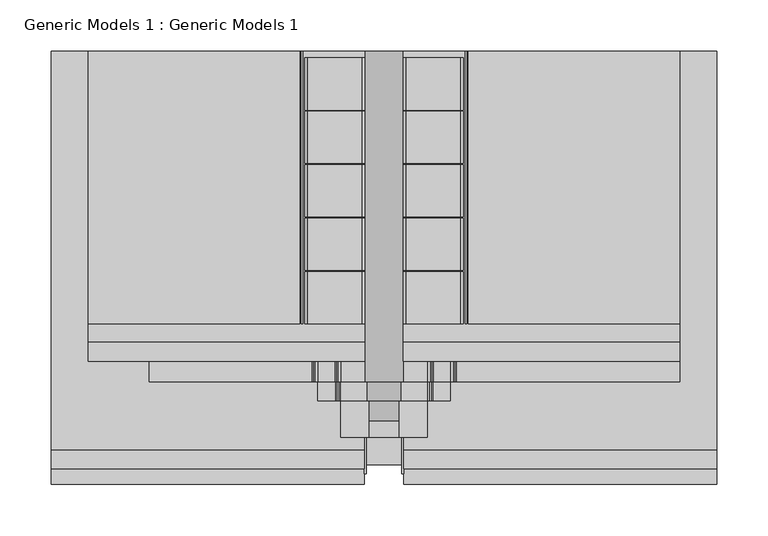
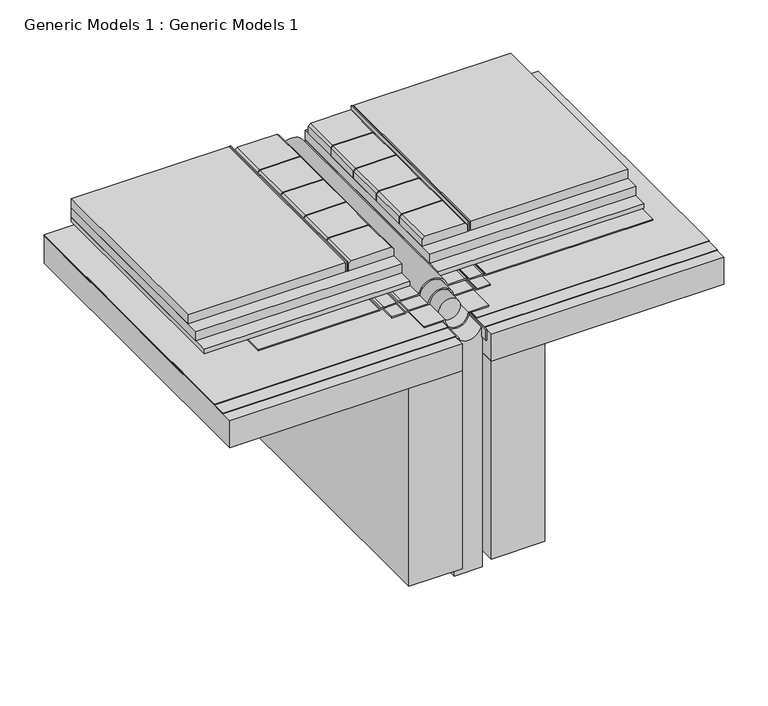
"""IFC4 building model written with IfcOpenShell, lengths in millimetres: proxy geometry, Generic Models 1 : Generic Models 1."""

from ifc_helpers import new_model, si_unit, point, frame, frame_2d, origin, place, context, project, spatial, polyline, circle_curve, trimmed, segment, composite_curve, outline, extrude, source, transform, mapped, element, save


def generic_models_1_generic_models_1_f1b61723(model_context):
    return source(origin(), model_context, "Body", "SweptSolid", [
        extrude(outline(polyline([(142.4541976, 393.8469389), (144.0416976, 393.8469389), (144.0416976, 128.6867188), (142.4541976, 128.6867188), (142.4541976, 393.8469389)])), frame((0.0, 0.0, 370.2948839), z_axis=(0.0, 0.0, 1.0), x_axis=(1.0, 0.0, 0.0)), (0.0, 0.0, 1.0), 12.7),
        extrude(outline(polyline([(-17.0416976, 393.8469389), (-15.4541976, 393.8469389), (-15.4541976, 128.6867187), (-17.0416976, 128.6867187), (-17.0416976, 393.8469389)])), frame((0.0, 0.0, 370.2948839), z_axis=(0.0, 0.0, 1.0), x_axis=(1.0, 0.0, 0.0)), (0.0, 0.0, 1.0), 12.7),
        extrude(outline(polyline([(370.2948839, 140.8666976), (379.8390838, 140.8666976), (382.9948839, 137.7108975), (382.9948839, 85.2849977), (379.8390838, 82.1291976), (370.2948839, 82.1291976), (370.2948839, 140.8666976)])), frame((0.0, 336.749243, 0.0), z_axis=(0.0, 1.0, 0.0), x_axis=(0.0, 0.0, 1.0)), (0.0, 0.0, 1.0), 50.8),
        extrude(outline(polyline([(370.2948839, -13.8666976), (370.2948839, 44.8708024), (379.8390838, 44.8708024), (382.9948839, 41.7150023), (382.9948839, -10.7108975), (379.8390838, -13.8666976), (370.2948839, -13.8666976)])), frame((0.0, 336.749243, 0.0), z_axis=(0.0, 1.0, 0.0), x_axis=(0.0, 0.0, 1.0)), (0.0, 0.0, 1.0), 50.8),
        extrude(outline(polyline([(370.2948839, 140.8666976), (379.8390838, 140.8666976), (382.9948839, 137.7108975), (382.9948839, 85.2849977), (379.8390838, 82.1291976), (370.2948839, 82.1291976), (370.2948839, 140.8666976)])), frame((0.0, 284.733612, 0.0), z_axis=(0.0, 1.0, 0.0), x_axis=(0.0, 0.0, 1.0)), (0.0, 0.0, 1.0), 50.8),
        extrude(outline(polyline([(370.2948839, -13.8666976), (370.2948839, 44.8708024), (379.8390838, 44.8708024), (382.9948839, 41.7150023), (382.9948839, -10.7108975), (379.8390838, -13.8666976), (370.2948839, -13.8666976)])), frame((0.0, 284.733612, 0.0), z_axis=(0.0, 1.0, 0.0), x_axis=(0.0, 0.0, 1.0)), (0.0, 0.0, 1.0), 50.8),
        extrude(outline(polyline([(370.2948839, 140.8666976), (379.8390838, 140.8666976), (382.9948839, 137.7108975), (382.9948839, 85.2849977), (379.8390838, 82.1291976), (370.2948839, 82.1291976), (370.2948839, 140.8666976)])), frame((0.0, 232.7179809, 0.0), z_axis=(0.0, 1.0, 0.0), x_axis=(0.0, 0.0, 1.0)), (0.0, 0.0, 1.0), 50.8),
        extrude(outline(polyline([(370.2948839, -13.8666976), (370.2948839, 44.8708024), (379.8390838, 44.8708024), (382.9948839, 41.7150023), (382.9948839, -10.7108975), (379.8390838, -13.8666976), (370.2948839, -13.8666976)])), frame((0.0, 232.7179809, 0.0), z_axis=(0.0, 1.0, 0.0), x_axis=(0.0, 0.0, 1.0)), (0.0, 0.0, 1.0), 50.8),
        extrude(outline(polyline([(370.2948839, 140.8666976), (379.8390838, 140.8666976), (382.9948839, 137.7108975), (382.9948839, 85.2849977), (379.8390838, 82.1291976), (370.2948839, 82.1291976), (370.2948839, 140.8666976)])), frame((0.0, 180.7023498, 0.0), z_axis=(0.0, 1.0, 0.0), x_axis=(0.0, 0.0, 1.0)), (0.0, 0.0, 1.0), 50.8),
        extrude(outline(polyline([(370.2948839, -13.8666976), (370.2948839, 44.8708024), (379.8390838, 44.8708024), (382.9948839, 41.7150023), (382.9948839, -10.7108975), (379.8390838, -13.8666976), (370.2948839, -13.8666976)])), frame((0.0, 180.7023498, 0.0), z_axis=(0.0, 1.0, 0.0), x_axis=(0.0, 0.0, 1.0)), (0.0, 0.0, 1.0), 50.8),
        extrude(outline(polyline([(370.2948839, 140.8666976), (379.8390838, 140.8666976), (382.9948839, 137.7108975), (382.9948839, 85.2849977), (379.8390838, 82.1291976), (370.2948839, 82.1291976), (370.2948839, 140.8666976)])), frame((0.0, 128.6867187, 0.0), z_axis=(0.0, 1.0, 0.0), x_axis=(0.0, 0.0, 1.0)), (0.0, 0.0, 1.0), 50.8),
        extrude(outline(polyline([(370.2948839, -13.8666976), (370.2948839, 44.8708024), (379.8390838, 44.8708024), (382.9948839, 41.7150023), (382.9948839, -10.7108975), (379.8390838, -13.8666976), (370.2948839, -13.8666976)])), frame((0.0, 128.6867188, 0.0), z_axis=(0.0, 1.0, 0.0), x_axis=(0.0, 0.0, 1.0)), (0.0, 0.0, 1.0), 50.8),
        extrude(outline(polyline([(-260.35, 393.8469389), (44.45, 393.8469389), (44.45, -12.7), (-260.35, -12.7), (-260.35, 393.8469389)])), frame((0.0, 0.0, 344.0748414), z_axis=(0.0, 0.0, 1.0), x_axis=(1.0, 0.0, 0.0)), (0.0, 0.0, 1.0), 0.79375),
        extrude(outline(polyline([(82.55, 393.8469389), (387.35, 393.8469389), (387.35, -12.7), (82.55, -12.7), (82.55, 393.8469389)])), frame((0.0, 0.0, 344.0748414), z_axis=(0.0, 0.0, 1.0), x_axis=(1.0, 0.0, 0.0)), (0.0, 0.0, 1.0), 0.79375),
        extrude(outline(polyline([(145.6291976, 393.8469389), (351.5567558, 393.8469389), (351.5567558, 128.6867187), (145.6291976, 128.6867187), (145.6291976, 393.8469389)])), frame((0.0, 0.0, 370.2948839), z_axis=(0.0, 0.0, 1.0), x_axis=(1.0, 0.0, 0.0)), (0.0, 0.0, 1.0), 12.7),
        extrude(outline(polyline([(-224.5567558, 393.8469389), (-18.6291976, 393.8469389), (-18.6291976, 128.6867187), (-224.5567558, 128.6867188), (-224.5567558, 393.8469389)])), frame((0.0, 0.0, 370.2948839), z_axis=(0.0, 0.0, 1.0), x_axis=(1.0, 0.0, 0.0)), (0.0, 0.0, 1.0), 12.7),
        extrude(outline(polyline([(82.1291976, 393.8469389), (351.5567558, 393.8469389), (351.5567558, 111.125), (82.1291976, 111.125), (82.1291976, 393.8469389)])), frame((0.0, 0.0, 357.5948839), z_axis=(0.0, 0.0, 1.0), x_axis=(1.0, 0.0, 0.0)), (0.0, 0.0, 1.0), 12.7),
        extrude(outline(polyline([(-224.5567558, 393.8469389), (44.8708024, 393.8469389), (44.8708024, 111.125), (-224.5567558, 111.125), (-224.5567558, 393.8469389)])), frame((0.0, 0.0, 357.5948839), z_axis=(0.0, 0.0, 1.0), x_axis=(1.0, 0.0, 0.0)), (0.0, 0.0, 1.0), 12.7),
        extrude(outline(polyline([(82.1291976, 393.8469389), (351.5567558, 393.8469389), (351.5567558, 92.075), (82.1291976, 92.075), (82.1291976, 393.8469389)])), frame((0.0, 0.0, 351.2448839), z_axis=(0.0, 0.0, 1.0), x_axis=(1.0, 0.0, 0.0)), (0.0, 0.0, 1.0), 6.35),
        extrude(outline(polyline([(-224.5567558, 393.8469389), (44.8708024, 393.8469389), (44.8708024, 92.075), (-224.5567558, 92.075), (-224.5567558, 393.8469389)])), frame((0.0, 0.0, 351.2448839), z_axis=(0.0, 0.0, 1.0), x_axis=(1.0, 0.0, 0.0)), (0.0, 0.0, 1.0), 6.35),
        extrude(outline(composite_curve([segment(polyline([(349.6573839, 80.7975655), (349.6573839, 105.6586194)]), True, "CONTINUOUS"), segment(trimmed(circle_curve(frame_2d((344.1011339, 105.6586194)), 5.55625), [point((349.6573839, 105.6586194))], [point((349.1368066, 108.0067922))], True, "CARTESIAN"), True, "CONTINUOUS"), segment(polyline([(349.1368066, 108.0067922), (348.4898005, 109.3943011)]), True, "CONTINUOUS"), segment(trimmed(circle_curve(frame_2d((352.8060914, 111.4070206)), 4.7625), [point((348.4898005, 109.3943011))], [point((348.0435914, 111.4070206))], False, "CARTESIAN"), True, "CONTINUOUS"), segment(polyline([(348.0435914, 111.4070206), (348.0435914, 128.0795393)]), True, "CONTINUOUS"), segment(trimmed(circle_curve(frame_2d((342.4873414, 128.0795393)), 5.55625), [point((348.0435914, 128.0795393))], [point((347.523014, 130.427712))], True, "CARTESIAN"), True, "CONTINUOUS"), segment(polyline([(347.523014, 130.427712), (346.876008, 131.815221)]), True, "CONTINUOUS"), segment(trimmed(circle_curve(frame_2d((351.1922988, 133.8279405)), 4.7625), [point((346.876008, 131.815221))], [point((346.4297988, 133.8279405))], False, "CARTESIAN"), True, "CONTINUOUS"), segment(polyline([(346.4297988, 133.8279405), (346.4297988, 351.5567558), (348.0172988, 351.5567558), (348.0172988, 133.8279405)]), True, "CONTINUOUS"), segment(trimmed(circle_curve(frame_2d((351.1922988, 133.8279405)), 3.175), [point((348.0172988, 133.8279405))], [point((348.3147716, 132.4861275))], True, "CARTESIAN"), True, "CONTINUOUS"), segment(polyline([(348.3147716, 132.4861275), (348.9617776, 131.0986185)]), True, "CONTINUOUS"), segment(trimmed(circle_curve(frame_2d((342.4873414, 128.0795393)), 7.14375), [point((348.9617776, 131.0986185))], [point((349.6310914, 128.0795393))], False, "CARTESIAN"), True, "CONTINUOUS"), segment(polyline([(349.6310914, 128.0795393), (349.6310914, 111.4070206)]), True, "CONTINUOUS"), segment(trimmed(circle_curve(frame_2d((352.8060914, 111.4070206)), 3.175), [point((349.6310914, 111.4070206))], [point((349.9285641, 110.0652076))], True, "CARTESIAN"), True, "CONTINUOUS"), segment(polyline([(349.9285641, 110.0652076), (350.5755702, 108.6776987)]), True, "CONTINUOUS"), segment(trimmed(circle_curve(frame_2d((344.1011339, 105.6586194)), 7.14375), [point((350.5755702, 108.6776987))], [point((351.2448839, 105.6586194))], False, "CARTESIAN"), True, "CONTINUOUS"), segment(polyline([(351.2448839, 105.6586194), (351.2448839, 82.1291976)]), True, "CONTINUOUS"), segment(trimmed(circle_curve(frame_2d((347.2629876, 63.5)), 19.05), [point((351.2448839, 82.1291976))], [point((351.2448839, 44.8708024))], False, "CARTESIAN"), True, "CONTINUOUS"), segment(polyline([(351.2448839, 44.8708024), (351.2448839, 21.3413806)]), True, "CONTINUOUS"), segment(trimmed(circle_curve(frame_2d((344.1011339, 21.3413806)), 7.14375), [point((351.2448839, 21.3413806))], [point((350.5755702, 18.3223013))], False, "CARTESIAN"), True, "CONTINUOUS"), segment(polyline([(350.5755702, 18.3223013), (349.9285641, 16.9347924)]), True, "CONTINUOUS"), segment(trimmed(circle_curve(frame_2d((352.8060914, 15.5929794)), 3.175), [point((349.9285641, 16.9347924))], [point((349.6310914, 15.5929794))], True, "CARTESIAN"), True, "CONTINUOUS"), segment(polyline([(349.6310914, 15.5929794), (349.6310914, -1.0795393)]), True, "CONTINUOUS"), segment(trimmed(circle_curve(frame_2d((342.4873414, -1.0795393)), 7.14375), [point((349.6310914, -1.0795393))], [point((348.9617776, -4.0986185))], False, "CARTESIAN"), True, "CONTINUOUS"), segment(polyline([(348.9617776, -4.0986185), (348.3147716, -5.4861275)]), True, "CONTINUOUS"), segment(trimmed(circle_curve(frame_2d((351.1922988, -6.8279405)), 3.175), [point((348.3147716, -5.4861275))], [point((348.0172988, -6.8279405))], True, "CARTESIAN"), True, "CONTINUOUS"), segment(polyline([(348.0172988, -6.8279405), (348.0172988, -165.2260002), (346.4297988, -165.2260002), (346.4297988, -6.8279405)]), True, "CONTINUOUS"), segment(trimmed(circle_curve(frame_2d((351.1922988, -6.8279405)), 4.7625), [point((346.4297988, -6.8279405))], [point((346.876008, -4.815221))], False, "CARTESIAN"), True, "CONTINUOUS"), segment(polyline([(346.876008, -4.815221), (347.523014, -3.427712)]), True, "CONTINUOUS"), segment(trimmed(circle_curve(frame_2d((342.4873414, -1.0795393)), 5.55625), [point((347.523014, -3.427712))], [point((348.0435914, -1.0795393))], True, "CARTESIAN"), True, "CONTINUOUS"), segment(polyline([(348.0435914, -1.0795393), (348.0435914, 15.5929794)]), True, "CONTINUOUS"), segment(trimmed(circle_curve(frame_2d((352.8060914, 15.5929794)), 4.7625), [point((348.0435914, 15.5929794))], [point((348.4898005, 17.6056989))], False, "CARTESIAN"), True, "CONTINUOUS"), segment(polyline([(348.4898005, 17.6056989), (349.1368066, 18.9932078)]), True, "CONTINUOUS"), segment(trimmed(circle_curve(frame_2d((344.1011339, 21.3413806)), 5.55625), [point((349.1368066, 18.9932078))], [point((349.6573839, 21.3413806))], True, "CARTESIAN"), True, "CONTINUOUS"), segment(polyline([(349.6573839, 21.3413806), (349.6573839, 46.2024345)]), True, "CONTINUOUS"), segment(trimmed(circle_curve(frame_2d((347.2629876, 63.5)), 17.4625), [point((349.6573839, 46.2024345))], [point((349.6573839, 80.7975655))], True, "CARTESIAN"), True, "CONTINUOUS")], self_intersect=False)), frame((0.0, 72.3143532, 0.0), z_axis=(0.0, 1.0, 0.0), x_axis=(0.0, 0.0, 1.0)), (0.0, 0.0, 1.0), 321.5325858),
        extrude(outline(composite_curve([segment(polyline([(348.8636339, 105.6586194), (348.8636339, 80.0917196)]), True, "CONTINUOUS"), segment(trimmed(circle_curve(frame_2d((347.2629876, 63.5)), 16.66875), [point((348.8636339, 80.0917196))], [point((348.8636339, 46.9082804))], False, "CARTESIAN"), True, "CONTINUOUS"), segment(polyline([(348.8636339, 46.9082804), (348.8636339, 21.3413806)]), True, "CONTINUOUS"), segment(trimmed(circle_curve(frame_2d((344.1011339, 21.3413806)), 4.7625), [point((348.8636339, 21.3413806))], [point((348.4174248, 19.3286611))], False, "CARTESIAN"), True, "CONTINUOUS"), segment(polyline([(348.4174248, 19.3286611), (347.5473141, 17.4627028)]), True, "CONTINUOUS"), segment(trimmed(circle_curve(frame_2d((350.4248414, 16.1208898)), 3.175), [point((347.5473141, 17.4627028))], [point((347.2498414, 16.1208898))], True, "CARTESIAN"), True, "CONTINUOUS"), segment(polyline([(347.2498414, 16.1208898), (347.2498414, -1.0795393), (345.6623414, -1.0795393), (345.6623414, 16.1208898)]), True, "CONTINUOUS"), segment(trimmed(circle_curve(frame_2d((350.4248414, 16.1208898)), 4.7625), [point((345.6623414, 16.1208898))], [point((346.1085505, 18.1336093))], False, "CARTESIAN"), True, "CONTINUOUS"), segment(polyline([(346.1085505, 18.1336093), (346.9786612, 19.9995676)]), True, "CONTINUOUS"), segment(trimmed(circle_curve(frame_2d((344.1011339, 21.3413806)), 3.175), [point((346.9786612, 19.9995676))], [point((347.2761339, 21.3413806))], True, "CARTESIAN"), True, "CONTINUOUS"), segment(polyline([(347.2761339, 21.3413806), (347.2761339, 48.4187557)]), True, "CONTINUOUS"), segment(trimmed(circle_curve(frame_2d((347.2629876, 63.5)), 15.08125), [point((347.2761339, 48.4187557))], [point((347.2761339, 78.5812443))], True, "CARTESIAN"), True, "CONTINUOUS"), segment(polyline([(347.2761339, 78.5812443), (347.2761339, 105.6586194)]), True, "CONTINUOUS"), segment(trimmed(circle_curve(frame_2d((344.1011339, 105.6586194)), 3.175), [point((347.2761339, 105.6586194))], [point((346.9786612, 107.0004324))], True, "CARTESIAN"), True, "CONTINUOUS"), segment(polyline([(346.9786612, 107.0004324), (346.1085505, 108.8663907)]), True, "CONTINUOUS"), segment(trimmed(circle_curve(frame_2d((350.4248414, 110.8791102)), 4.7625), [point((346.1085505, 108.8663907))], [point((345.6623414, 110.8791102))], False, "CARTESIAN"), True, "CONTINUOUS"), segment(polyline([(345.6623414, 110.8791102), (345.6623414, 128.0795393), (347.2498414, 128.0795393), (347.2498414, 110.8791102)]), True, "CONTINUOUS"), segment(trimmed(circle_curve(frame_2d((350.4248414, 110.8791102)), 3.175), [point((347.2498414, 110.8791102))], [point((347.5473141, 109.5372972))], True, "CARTESIAN"), True, "CONTINUOUS"), segment(polyline([(347.5473141, 109.5372972), (348.4174248, 107.6713389)]), True, "CONTINUOUS"), segment(trimmed(circle_curve(frame_2d((344.1011339, 105.6586194)), 4.7625), [point((348.4174248, 107.6713389))], [point((348.8636339, 105.6586194))], False, "CARTESIAN"), True, "CONTINUOUS")], self_intersect=False)), frame((0.0, 53.568581, 0.0), z_axis=(0.0, 1.0, 0.0), x_axis=(0.0, 0.0, 1.0)), (0.0, 0.0, 1.0), 340.278358),
        extrude(outline(composite_curve([segment(trimmed(circle_curve(frame_2d((347.2629876, 63.5)), 17.4625), [point((342.0580208, 80.16875))], [point((342.0580208, 46.83125))], True, "CARTESIAN"), True, "CONTINUOUS"), segment(polyline([(342.0580208, 46.83125), (328.1931348, 46.83125), (328.1931348, 45.24375), (9.525, 45.24375), (9.525, 81.75625), (328.1931348, 81.75625), (328.1931348, 80.16875), (342.0580208, 80.16875)]), True, "CONTINUOUS")], self_intersect=False)), frame((0.0, -8.424879, 0.0), z_axis=(0.0, 1.0, 0.0), x_axis=(0.0, 0.0, 1.0)), (0.0, 0.0, 1.0), 402.271818),
        extrude(outline(composite_curve([segment(polyline([(345.6623414, 105.56875), (347.2498414, 105.56875), (347.2498414, 78.5812443)]), True, "CONTINUOUS"), segment(trimmed(circle_curve(frame_2d((347.2629876, 63.5)), 15.08125), [point((347.2498414, 78.5812443))], [point((347.2498414, 48.4187557))], True, "CARTESIAN"), True, "CONTINUOUS"), segment(polyline([(347.2498414, 48.4187557), (347.2498414, 21.43125), (345.6623414, 21.43125), (345.6623414, 46.9082804)]), True, "CONTINUOUS"), segment(trimmed(circle_curve(frame_2d((347.2629876, 63.5)), 16.66875), [point((345.6623414, 46.9082804))], [point((345.6623414, 80.0917196))], False, "CARTESIAN"), True, "CONTINUOUS"), segment(polyline([(345.6623414, 80.0917196), (345.6623414, 105.56875)]), True, "CONTINUOUS")], self_intersect=False)), frame((0.0, 18.3920053, 0.0), z_axis=(0.0, 1.0, 0.0), x_axis=(0.0, 0.0, 1.0)), (0.0, 0.0, 1.0), 375.4549336),
        extrude(outline(composite_curve([segment(trimmed(circle_curve(frame_2d((347.2629876, 63.5)), 14.2875), [point((347.2629876, 49.2125))], [point((347.2629876, 77.7875))], False, "CARTESIAN"), True, "CONTINUOUS"), segment(trimmed(circle_curve(frame_2d((347.2629876, 63.5)), 14.2875), [point((347.2629876, 77.7875))], [point((347.2629876, 49.2125))], False, "CARTESIAN"), True, "CONTINUOUS")], self_intersect=False)), frame((0.0, 34.3915988, 0.0), z_axis=(0.0, 1.0, 0.0), x_axis=(0.0, 0.0, 1.0)), (0.0, 0.0, 1.0), 359.4553402),
        extrude(outline(polyline([(44.45, 393.8469389), (46.0375, 393.8469389), (46.0375, -17.4108394), (44.45, -17.4108394), (44.45, 393.8469389)])), frame((0.0, 0.0, 328.9868848), z_axis=(0.0, 0.0, 1.0), x_axis=(1.0, 0.0, 0.0)), (0.0, 0.0, 1.0), 15.0879565),
        extrude(outline(polyline([(80.9625, 393.8469389), (82.55, 393.8469389), (82.55, -17.4108394), (80.9625, -17.4108394), (80.9625, 393.8469389)])), frame((0.0, 0.0, 328.9868848), z_axis=(0.0, 0.0, 1.0), x_axis=(1.0, 0.0, 0.0)), (0.0, 0.0, 1.0), 15.0879565),
        extrude(outline(polyline([(-260.35, 393.8469389), (44.45, 393.8469389), (44.45, 5.8433804), (-260.35, 5.8433804), (-260.35, 393.8469389)])), frame((0.0, 0.0, 344.8685914), z_axis=(0.0, 0.0, 1.0), x_axis=(1.0, 0.0, 0.0)), (0.0, 0.0, 1.0), 0.79375),
        extrude(outline(polyline([(82.55, 393.8469389), (387.35, 393.8469389), (387.35, 5.8433804), (82.55, 5.8433804), (82.55, 393.8469389)])), frame((0.0, 0.0, 344.8685914), z_axis=(0.0, 0.0, 1.0), x_axis=(1.0, 0.0, 0.0)), (0.0, 0.0, 1.0), 0.79375),
        extrude(outline(polyline([(-260.35, 393.8469389), (44.45, 393.8469389), (44.45, -27.5493627), (-260.35, -27.5493627), (-260.35, 393.8469389)])), frame((0.0, 0.0, 305.9748414), z_axis=(0.0, 0.0, 1.0), x_axis=(1.0, 0.0, 0.0)), (0.0, 0.0, 1.0), 37.30625),
        extrude(outline(polyline([(82.55, 393.8469389), (387.35, 393.8469389), (387.35, -27.5493627), (82.55, -27.5493627), (82.55, 393.8469389)])), frame((0.0, 0.0, 305.9748414), z_axis=(0.0, 0.0, 1.0), x_axis=(1.0, 0.0, 0.0)), (0.0, 0.0, 1.0), 37.30625),
        extrude(outline(polyline([(44.45, -27.5493627), (-25.4, -27.5493627), (-25.4, 393.8469389), (44.45, 393.8469389), (44.45, -27.5493627)])), frame((0.0, 0.0, 31.75), z_axis=(0.0, 0.0, 1.0), x_axis=(1.0, 0.0, 0.0)), (0.0, 0.0, 1.0), 274.2248414),
        extrude(outline(polyline([(152.4, -27.5493627), (82.55, -27.5493627), (82.55, 393.8469389), (152.4, 393.8469389), (152.4, -27.5493627)])), frame((0.0, 0.0, 31.75), z_axis=(0.0, 0.0, 1.0), x_axis=(1.0, 0.0, 0.0)), (0.0, 0.0, 1.0), 274.2248414),
    ])


if __name__ == "__main__":
    model = new_model("IFC4")
    model_context = context("Model", 3, world=origin())
    ifc_project = project(units=[si_unit("LENGTHUNIT", "METRE", prefix="MILLI")], contexts=[model_context])
    site = spatial("IfcSite", under=ifc_project)
    building = spatial("IfcBuilding", under=site)
    placement = place(None, origin())
    generic_models_1_generic_models_1_shape = generic_models_1_generic_models_1_f1b61723(model_context)
    element("IfcBuildingElementProxy", 1, Name="Generic Models 1 : Generic Models 1", ObjectType="Generic Models 1 : Generic Models 1", at=placement, inside=building, context=model_context, shape_type="MappedRepresentation", body=[
        mapped(generic_models_1_generic_models_1_shape, transform((0.0, 0.0, 0.0), x_axis=(1.0, 0.0, 0.0), y_axis=(0.0, 1.0, 0.0), z_axis=(0.0, 0.0, 1.0))),
    ])
    save(model, "model.ifc")
